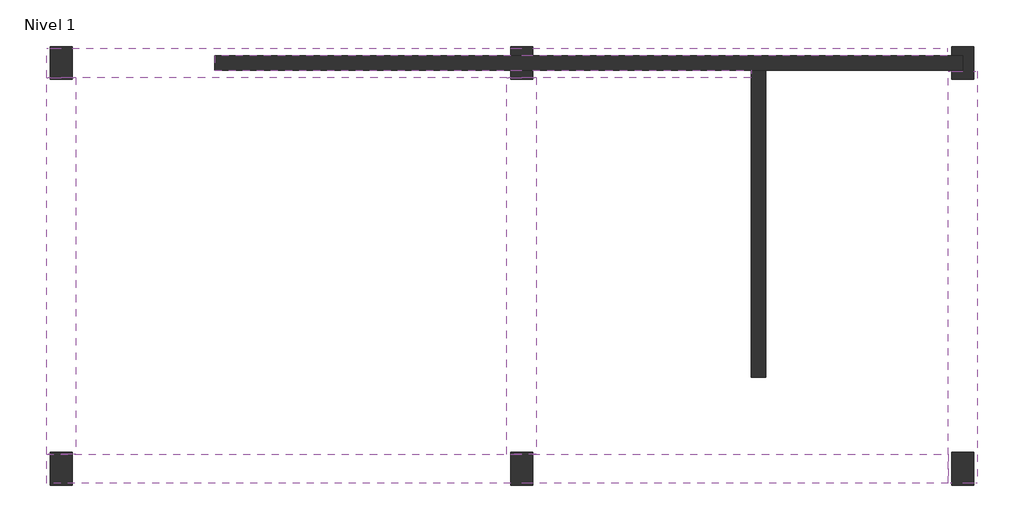
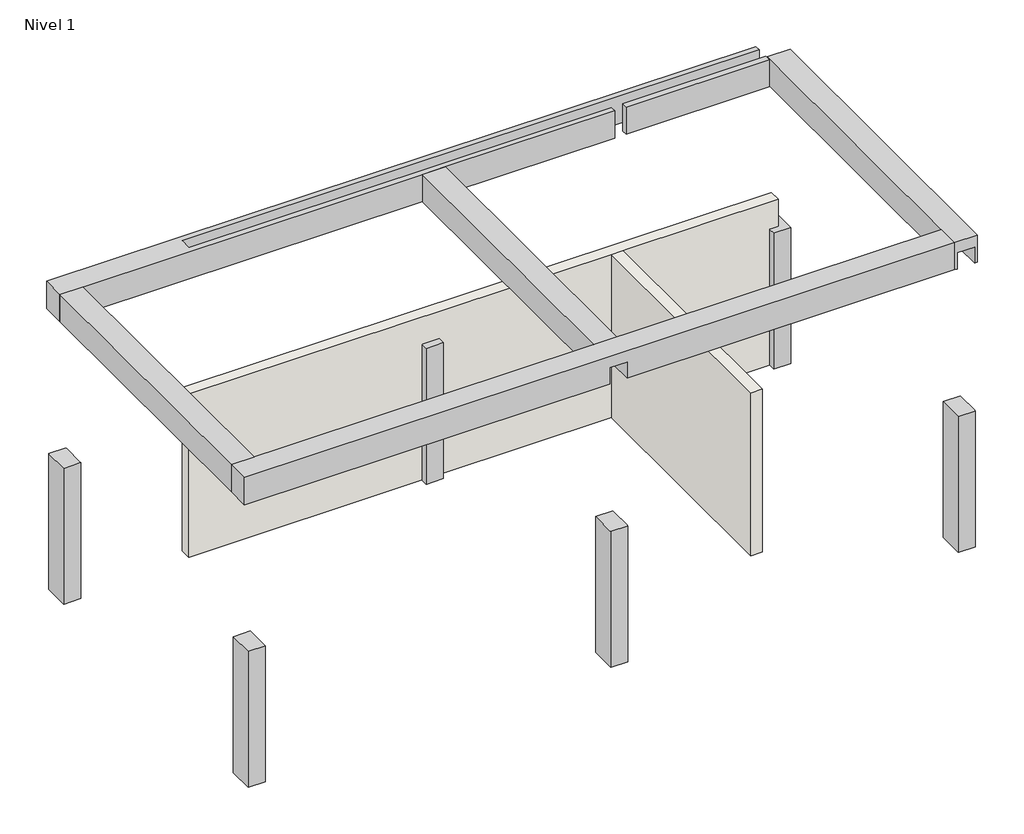
# One storey: 6 columns, 5 beams, 2 walls.
"""IFC4 building model written with IfcOpenShell, lengths in millimetres."""

from ifc_helpers import new_model, si_unit, frame, origin, place, context, project, spatial, polyline, outline, extrude, faceted_brep, element, save

model = new_model("IFC4")

# Units and contexts
model_context = context("Model", 3, world=origin())
ifc_project = project(units=[si_unit("LENGTHUNIT", "METRE", prefix="MILLI")], contexts=[model_context])

# Site, building, storey
site = spatial("IfcSite", under=ifc_project)
building = spatial("IfcBuilding", under=site)
storey = spatial("IfcBuildingStorey", under=building, Name="Nivel 1", Elevation=0.0)

# Beams
placement = place(None, origin())
element("IfcBeam", 1, ObjectType="400 x 800mm", at=placement, inside=storey, context=model_context, shape_type="Brep", body=[
    faceted_brep([(-1136.3138538, 7565.1775531, 5700.0), (-1136.3138538, 7465.1775531, 5700.0), (-1136.3138538, 7465.1775531, 5200.0), (-1136.3138538, 7565.1775531, 5200.0), (-6816.0531967, 7165.1775531, 5200.0), (-6816.0531967, 7265.1775531, 5200.0), (-3823.6138538, 7265.1775531, 5200.0), (-3823.6138538, 7165.1775531, 5200.0), (-6766.0531967, 7165.1775531, 5200.0), (-13120.5620197, 7565.1775531, 5200.0), (-13120.5620197, 7565.1775531, 5500.0), (-13420.5620197, 7565.1775531, 5500.0), (-13420.5620197, 7565.1775531, 5200.0), (-13470.5620197, 7565.1775531, 5200.0), (-13470.5620197, 7565.1775531, 5700.0), (-6816.0531967, 7565.1775531, 5200.0), (-6816.0531967, 7565.1775531, 5500.0), (-7116.0531967, 7565.1775531, 5500.0), (-7116.0531967, 7565.1775531, 5200.0), (-13120.5620197, 7165.1775531, 5500.0), (-13120.5620197, 7165.1775531, 5200.0), (-6816.0531967, 7165.1775531, 5500.0), (-6816.0531967, 7265.1775531, 5500.0), (-7116.0531967, 7465.1775531, 5500.0), (-7116.0531967, 7465.1775531, 5200.0), (-13420.5620197, 7165.1775531, 5500.0), (-6816.0531967, 7465.1775531, 5500.0), (-13470.5620197, 7165.1775531, 5700.0), (-13070.5620197, 7165.1775531, 5700.0), (-7166.0531967, 7165.1775531, 5700.0), (-6766.0531967, 7165.1775531, 5700.0), (-3823.6138538, 7165.1775531, 5700.0), (-3823.6138538, 7265.1775531, 5700.0), (-11170.5620197, 7265.1775531, 5700.0), (-11170.5620197, 7465.1775531, 5700.0), (-13470.5620197, 7165.1775531, 5200.0), (-13420.5620197, 7165.1775531, 5200.0), (-11170.5620197, 7465.1775531, 5200.0), (-11170.5620197, 7265.1775531, 5200.0), (-7116.0531967, 7265.1775531, 5200.0), (-7116.0531967, 7165.1775531, 5200.0), (-7166.0531967, 7165.1775531, 5200.0), (-13070.5620197, 7165.1775531, 5200.0), (-7116.0531967, 7265.1775531, 5500.0), (-6816.0531967, 7465.1775531, 5200.0), (-7116.0531967, 7165.1775531, 5500.0)], [[[0, 1, 2, 3]], [[4, 5, 6, 7, 8]], [[9, 10, 11, 12, 13, 14, 0, 3, 15, 16, 17, 18]], [[19, 10, 9, 20]], [[4, 21, 22, 5]], [[18, 17, 23, 24]], [[10, 19, 25, 11]], [[17, 16, 26, 23]], [[0, 14, 27, 28, 29, 30, 31, 32, 33, 34, 1]], [[13, 35, 27, 14]], [[11, 25, 36, 12]], [[35, 13, 12, 36]], [[20, 9, 18, 24, 37, 38, 39, 40, 41, 42]], [[38, 33, 32, 6, 5, 22, 43, 39]], [[34, 37, 24, 23, 26, 44, 2, 1]], [[33, 38, 37, 34]], [[44, 15, 3, 2]], [[16, 15, 44, 26]], [[45, 40, 39, 43]], [[21, 45, 43, 22]], [[31, 7, 6, 32]], [[19, 20, 42, 41, 40, 45, 21, 4, 8, 7, 31, 30, 29, 28, 27, 35, 36, 25]]]),
    faceted_brep([(-1136.3138538, 7165.1775531, 5200.0), (-1136.3138538, 7165.1775531, 5700.0), (-3623.6138538, 7165.1775531, 5700.0), (-3623.6138538, 7165.1775531, 5200.0), (-1136.3138538, 7265.1775531, 5700.0), (-1136.3138538, 7265.1775531, 5200.0), (-3623.6138538, 7265.1775531, 5700.0), (-3623.6138538, 7265.1775531, 5200.0)], [[[0, 1, 2, 3]], [[4, 1, 0, 5]], [[3, 2, 6, 7]], [[5, 0, 3, 7]], [[1, 4, 6, 2]], [[4, 5, 7, 6]]]),
])
element("IfcBeam", 2, ObjectType="400 x 800mm", at=placement, inside=storey, context=model_context, shape_type="Brep", body=[
    faceted_brep([(-723.6138538, 7252.4775531, 5200.0), (-773.6138538, 7252.4775531, 5200.0), (-773.6138538, 7252.4775531, 5500.0), (-1073.6138538, 7252.4775531, 5500.0), (-1073.6138538, 7252.4775531, 5200.0), (-1123.6138538, 7252.4775531, 5200.0), (-1123.6138538, 7252.4775531, 5700.0), (-723.6138538, 7252.4775531, 5700.0), (-1123.6138538, 1609.0508784, 5200.0), (-1123.6138538, 1609.0508784, 5700.0), (-773.6138538, 7140.1775531, 5200.0), (-723.6138538, 1609.0508784, 5200.0), (-773.6138538, 1609.0508784, 5200.0), (-773.6138538, 2034.0508784, 5200.0), (-1073.6138538, 2034.0508784, 5200.0), (-1073.6138538, 1609.0508784, 5200.0), (-1073.6138538, 7140.1775531, 5200.0), (-723.6138538, 1609.0508784, 5700.0), (-773.6138538, 7140.1775531, 5500.0), (-1073.6138538, 7140.1775531, 5500.0), (-773.6138538, 2034.0508784, 5500.0), (-773.6138538, 1609.0508784, 5500.0), (-1073.6138538, 2034.0508784, 5500.0), (-1073.6138538, 1609.0508784, 5500.0)], [[[0, 1, 2, 3, 4, 5, 6, 7]], [[5, 8, 9, 6]], [[10, 1, 0, 11, 12, 13, 14, 15, 8, 5, 4, 16]], [[11, 0, 7, 17]], [[10, 18, 2, 1]], [[19, 18, 10, 16]], [[19, 16, 4, 3]], [[20, 13, 12, 21]], [[14, 22, 23, 15]], [[20, 22, 14, 13]], [[18, 19, 3, 2]], [[22, 20, 21, 23]], [[7, 6, 9, 17]], [[12, 11, 17, 9, 8, 15, 23, 21]]]),
])
element("IfcBeam", 3, ObjectType="400 x 800mm", at=placement, inside=storey, context=model_context, shape_type="SweptSolid", body=[
    extrude(outline(polyline([(5700.0, -13470.5620197), (5200.0, -13470.5620197), (5200.0, -7116.0531967), (5500.0, -7116.0531967), (5500.0, -6816.0531967), (5200.0, -6816.0531967), (5200.0, -1123.6138538), (5700.0, -1123.6138538), (5700.0, -13470.5620197)])), frame((0.0, 1609.0508784, 0.0), z_axis=(0.0, 1.0, 0.0), x_axis=(0.0, 0.0, 1.0)), (0.0, 0.0, 1.0), 400.0),
])
element("IfcBeam", 4, ObjectType="400 x 800mm", at=placement, inside=storey, context=model_context, shape_type="Brep", body=[
    faceted_brep([(-13070.5620197, 2009.0508784, 5200.0), (-13070.5620197, 7165.1775531, 5200.0), (-13070.5620197, 7165.1775531, 5700.0), (-13070.5620197, 2009.0508784, 5700.0), (-13120.5620197, 7165.1775531, 5200.0), (-13120.5620197, 2009.0508784, 5200.0), (-13120.5620197, 2034.0508784, 5200.0), (-13420.5620197, 2034.0508784, 5200.0), (-13420.5620197, 2009.0508784, 5200.0), (-13470.5620197, 2009.0508784, 5200.0), (-13470.5620197, 7165.1775531, 5200.0), (-13420.5620197, 7165.1775531, 5200.0), (-13420.5620197, 7140.1775531, 5200.0), (-13120.5620197, 7140.1775531, 5200.0), (-13470.5620197, 2009.0508784, 5700.0), (-13470.5620197, 7165.1775531, 5700.0), (-13120.5620197, 7165.1775531, 5500.0), (-13420.5620197, 7165.1775531, 5500.0), (-13420.5620197, 2009.0508784, 5500.0), (-13120.5620197, 2009.0508784, 5500.0), (-13120.5620197, 7140.1775531, 5500.0), (-13420.5620197, 7140.1775531, 5500.0), (-13120.5620197, 2034.0508784, 5500.0), (-13420.5620197, 2034.0508784, 5500.0)], [[[0, 1, 2, 3]], [[4, 1, 0, 5, 6, 7, 8, 9, 10, 11, 12, 13]], [[10, 9, 14, 15]], [[1, 4, 16, 17, 11, 10, 15, 2]], [[5, 0, 3, 14, 9, 8, 18, 19]], [[13, 20, 16, 4]], [[21, 20, 13, 12]], [[21, 12, 11, 17]], [[22, 6, 5, 19]], [[7, 23, 18, 8]], [[22, 23, 7, 6]], [[20, 21, 17, 16]], [[23, 22, 19, 18]], [[3, 2, 15, 14]]]),
])
element("IfcBeam", 5, ObjectType="400 x 800mm", at=placement, inside=storey, context=model_context, shape_type="Brep", body=[
    faceted_brep([(-7166.0531967, 7165.1775531, 5200.0), (-7166.0531967, 2009.0508784, 5200.0), (-7166.0531967, 2009.0508784, 5700.0), (-7166.0531967, 7165.1775531, 5700.0), (-6766.0531967, 2009.0508784, 5200.0), (-7116.0531967, 7165.1775531, 5200.0), (-7116.0531967, 7140.1775531, 5200.0), (-6816.0531967, 7140.1775531, 5200.0), (-6816.0531967, 7165.1775531, 5200.0), (-6766.0531967, 7165.1775531, 5200.0), (-6766.0531967, 7165.1775531, 5700.0), (-6766.0531967, 2009.0508784, 5700.0), (-6816.0531967, 7165.1775531, 5500.0), (-7116.0531967, 7165.1775531, 5500.0), (-6816.0531967, 7140.1775531, 5500.0), (-7116.0531967, 7140.1775531, 5500.0)], [[[0, 1, 2, 3]], [[4, 1, 0, 5, 6, 7, 8, 9]], [[4, 9, 10, 11]], [[9, 8, 12, 13, 5, 0, 3, 10]], [[1, 4, 11, 2]], [[7, 14, 12, 8]], [[15, 14, 7, 6]], [[15, 6, 5, 13]], [[14, 15, 13, 12]], [[3, 2, 11, 10]]]),
])

# Columns
element("IfcColumn", 6, ObjectType="300 x 450mm", at=placement, inside=storey, context=model_context, shape_type="Brep", body=[
    faceted_brep([(-13120.5620197, 7590.1775531, 0.0), (-13120.5620197, 7140.1775531, 0.0), (-13420.5620197, 7140.1775531, 0.0), (-13420.5620197, 7590.1775531, 0.0), (-13120.5620197, 7590.1775531, 2500.0), (-13120.5620197, 7565.1775531, 2500.0), (-13120.5620197, 7165.1775531, 2500.0), (-13120.5620197, 7140.1775531, 2500.0), (-13120.5620197, 7140.1775531, 2200.0), (-13420.5620197, 7140.1775531, 2500.0), (-13420.5620197, 7140.1775531, 2200.0), (-13420.5620197, 7165.1775531, 2500.0), (-13420.5620197, 7565.1775531, 2500.0), (-13420.5620197, 7590.1775531, 2500.0)], [[[0, 1, 2, 3]], [[4, 5, 6, 7, 8, 1, 0]], [[7, 9, 10, 2, 1, 8]], [[9, 11, 12, 13, 3, 2, 10]], [[13, 4, 0, 3]], [[4, 13, 12, 11, 9, 7, 6, 5]]]),
])
element("IfcColumn", 7, ObjectType="300 x 450mm", at=placement, inside=storey, context=model_context, shape_type="Brep", body=[
    faceted_brep([(-773.6138538, 7590.1775531, 0.0), (-773.6138538, 7140.1775531, 0.0), (-1073.6138538, 7140.1775531, 0.0), (-1073.6138538, 7265.1775531, 0.0), (-923.6138538, 7265.1775531, 0.0), (-923.6138538, 7465.1775531, 0.0), (-1073.6138538, 7465.1775531, 0.0), (-1073.6138538, 7590.1775531, 0.0), (-773.6138538, 7590.1775531, 2500.0), (-773.6138538, 7252.4775531, 2500.0), (-773.6138538, 7140.1775531, 2500.0), (-773.6138538, 7140.1775531, 2200.0), (-1073.6138538, 7140.1775531, 2500.0), (-1073.6138538, 7140.1775531, 2200.0), (-1073.6138538, 7590.1775531, 2500.0), (-1073.6138538, 7465.1775531, 2500.0), (-923.6138538, 7465.1775531, 2500.0), (-923.6138538, 7265.1775531, 2500.0), (-1073.6138538, 7265.1775531, 2500.0), (-1073.6138538, 7252.4775531, 2500.0)], [[[0, 1, 2, 3, 4, 5, 6, 7]], [[1, 0, 8, 9, 10, 11]], [[2, 1, 11, 10, 12, 13]], [[14, 7, 6, 15]], [[0, 7, 14, 8]], [[10, 9, 8, 14, 15, 16, 17, 18, 19, 12]], [[17, 4, 3, 18]], [[5, 16, 15, 6]], [[4, 17, 16, 5]], [[2, 13, 12, 19, 18, 3]]]),
])
element("IfcColumn", 8, ObjectType="300 x 450mm", at=placement, inside=storey, context=model_context, shape_type="Brep", body=[
    faceted_brep([(-773.6138538, 2034.0508784, 0.0), (-773.6138538, 1584.0508784, 0.0), (-1073.6138538, 1584.0508784, 0.0), (-1073.6138538, 2034.0508784, 0.0), (-773.6138538, 2034.0508784, 2500.0), (-773.6138538, 1609.0508784, 2500.0), (-773.6138538, 1584.0508784, 2500.0), (-773.6138538, 2034.0508784, 2200.0), (-1073.6138538, 1584.0508784, 2500.0), (-1073.6138538, 1609.0508784, 2500.0), (-1073.6138538, 2034.0508784, 2500.0), (-1073.6138538, 2034.0508784, 2200.0)], [[[0, 1, 2, 3]], [[4, 5, 6, 1, 0, 7]], [[6, 8, 2, 1]], [[8, 9, 10, 11, 3, 2]], [[10, 4, 7, 0, 3, 11]], [[4, 10, 9, 8, 6, 5]]]),
])
element("IfcColumn", 9, ObjectType="300 x 450mm", at=placement, inside=storey, context=model_context, shape_type="Brep", body=[
    faceted_brep([(-13120.5620197, 2034.0508784, 0.0), (-13120.5620197, 1584.0508784, 0.0), (-13420.5620197, 1584.0508784, 0.0), (-13420.5620197, 2034.0508784, 0.0), (-13120.5620197, 2034.0508784, 2500.0), (-13120.5620197, 2009.0508784, 2500.0), (-13120.5620197, 1584.0508784, 2500.0), (-13120.5620197, 2034.0508784, 2200.0), (-13420.5620197, 1584.0508784, 2500.0), (-13420.5620197, 2009.0508784, 2500.0), (-13420.5620197, 2034.0508784, 2500.0), (-13420.5620197, 2034.0508784, 2200.0)], [[[0, 1, 2, 3]], [[4, 5, 6, 1, 0, 7]], [[6, 8, 2, 1]], [[8, 9, 10, 11, 3, 2]], [[10, 4, 7, 0, 3, 11]], [[4, 10, 9, 8, 6, 5]]]),
])
element("IfcColumn", 10, ObjectType="300 x 450mm", at=placement, inside=storey, context=model_context, shape_type="Brep", body=[
    faceted_brep([(-7116.0531967, 7590.1775531, 0.0), (-6816.0531967, 7590.1775531, 0.0), (-6816.0531967, 7465.1775531, 0.0), (-7116.0531967, 7465.1775531, 0.0), (-7116.0531967, 7590.1775531, 2500.0), (-7116.0531967, 7465.1775531, 2200.0), (-7116.0531967, 7465.1775531, 2500.0), (-7116.0531967, 7565.1775531, 2500.0), (-6816.0531967, 7590.1775531, 2500.0), (-6816.0531967, 7465.1775531, 2200.0), (-6816.0531967, 7465.1775531, 2500.0), (-6816.0531967, 7565.1775531, 2500.0)], [[[0, 1, 2, 3]], [[4, 0, 3, 5, 6, 7]], [[1, 0, 4, 8]], [[3, 2, 9, 10, 6, 5]], [[1, 8, 11, 10, 9, 2]], [[8, 4, 7, 6, 10, 11]]]),
    faceted_brep([(-6816.0531967, 7140.1775531, 2500.0), (-6816.0531967, 7140.1775531, 2200.0), (-6816.0531967, 7140.1775531, 0.0), (-6816.0531967, 7265.1775531, 0.0), (-6816.0531967, 7265.1775531, 2200.0), (-6816.0531967, 7265.1775531, 2500.0), (-6816.0531967, 7165.1775531, 2500.0), (-7116.0531967, 7140.1775531, 0.0), (-7116.0531967, 7140.1775531, 2500.0), (-7116.0531967, 7140.1775531, 2200.0), (-7116.0531967, 7265.1775531, 2500.0), (-7116.0531967, 7165.1775531, 2500.0), (-7116.0531967, 7265.1775531, 0.0), (-7116.0531967, 7265.1775531, 2200.0)], [[[0, 1, 2, 3, 4, 5, 6]], [[7, 2, 1, 0, 8, 9]], [[8, 0, 6, 5, 10, 11]], [[3, 12, 13, 10, 5, 4]], [[2, 7, 12, 3]], [[7, 9, 8, 11, 10, 13, 12]]]),
])
element("IfcColumn", 11, ObjectType="300 x 450mm", at=placement, inside=storey, context=model_context, shape_type="Brep", body=[
    faceted_brep([(-6816.0531967, 2034.0508784, 0.0), (-6816.0531967, 1584.0508784, 0.0), (-7116.0531967, 1584.0508784, 0.0), (-7116.0531967, 2034.0508784, 0.0), (-6816.0531967, 2034.0508784, 2500.0), (-6816.0531967, 2009.0508784, 2500.0), (-6816.0531967, 1609.0508784, 2500.0), (-6816.0531967, 1584.0508784, 2500.0), (-7116.0531967, 1584.0508784, 2500.0), (-7116.0531967, 1609.0508784, 2500.0), (-7116.0531967, 2009.0508784, 2500.0), (-7116.0531967, 2034.0508784, 2500.0)], [[[0, 1, 2, 3]], [[4, 5, 6, 7, 1, 0]], [[7, 8, 2, 1]], [[8, 9, 10, 11, 3, 2]], [[11, 4, 0, 3]], [[4, 11, 10, 9, 8, 7, 6, 5]]]),
])

# Walls
element("IfcWall", 12, at=placement, inside=storey, context=model_context, shape_type="Brep", body=[
    faceted_brep([(-11170.5620197, 7265.1775531, 0.0), (-7116.0531967, 7265.1775531, 0.0), (-6816.0531967, 7265.1775531, 0.0), (-3823.6138538, 7265.1775531, 0.0), (-3623.6138538, 7265.1775531, 0.0), (-1073.6138538, 7265.1775531, 0.0), (-923.6138538, 7265.1775531, 0.0), (-923.6138538, 7265.1775531, 2500.0), (-923.6138538, 7265.1775531, 3000.0), (-3623.6138538, 7265.1775531, 3000.0), (-3823.6138538, 7265.1775531, 3000.0), (-11170.5620197, 7265.1775531, 3000.0), (-11170.5620197, 7265.1775531, 2700.0), (-11170.5620197, 7265.1775531, 2200.0), (-11170.5620197, 7465.1775531, 0.0), (-11170.5620197, 7465.1775531, 2200.0), (-11170.5620197, 7465.1775531, 2700.0), (-11170.5620197, 7465.1775531, 3000.0), (-923.6138538, 7465.1775531, 3000.0), (-923.6138538, 7465.1775531, 2500.0), (-923.6138538, 7465.1775531, 0.0), (-1073.6138538, 7465.1775531, 0.0), (-6816.0531967, 7465.1775531, 0.0), (-7116.0531967, 7465.1775531, 0.0)], [[[0, 1, 2, 3, 4, 5, 6, 7, 8, 9, 10, 11, 12, 13]], [[14, 15, 16, 17, 18, 19, 20, 21, 22, 23]], [[6, 5, 4, 3, 2, 1, 0, 14, 23, 22, 21, 20]], [[8, 7, 6, 20, 19, 18]], [[11, 10, 9, 8, 18, 17]], [[0, 13, 12, 11, 17, 16, 15, 14]]]),
])
element("IfcWall", 13, at=placement, inside=storey, context=model_context, shape_type="Brep", body=[
    faceted_brep([(-3823.6138538, 7265.1775531, 0.0), (-3823.6138538, 3065.1775531, 0.0), (-3823.6138538, 3065.1775531, 3000.0), (-3823.6138538, 7265.1775531, 3000.0), (-3823.6138538, 7265.1775531, 2700.0), (-3823.6138538, 7265.1775531, 2200.0), (-3623.6138538, 7265.1775531, 0.0), (-3623.6138538, 7265.1775531, 2200.0), (-3623.6138538, 7265.1775531, 2700.0), (-3623.6138538, 7265.1775531, 3000.0), (-3623.6138538, 3065.1775531, 3000.0), (-3623.6138538, 3065.1775531, 0.0)], [[[0, 1, 2, 3, 4, 5]], [[6, 7, 8, 9, 10, 11]], [[1, 0, 6, 11]], [[2, 1, 11, 10]], [[3, 2, 10, 9]], [[0, 5, 4, 3, 9, 8, 7, 6]]]),
])

save(model, "model.ifc")
